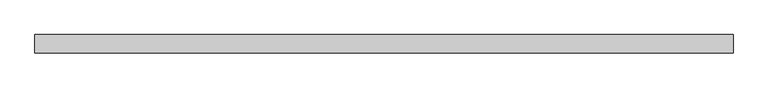
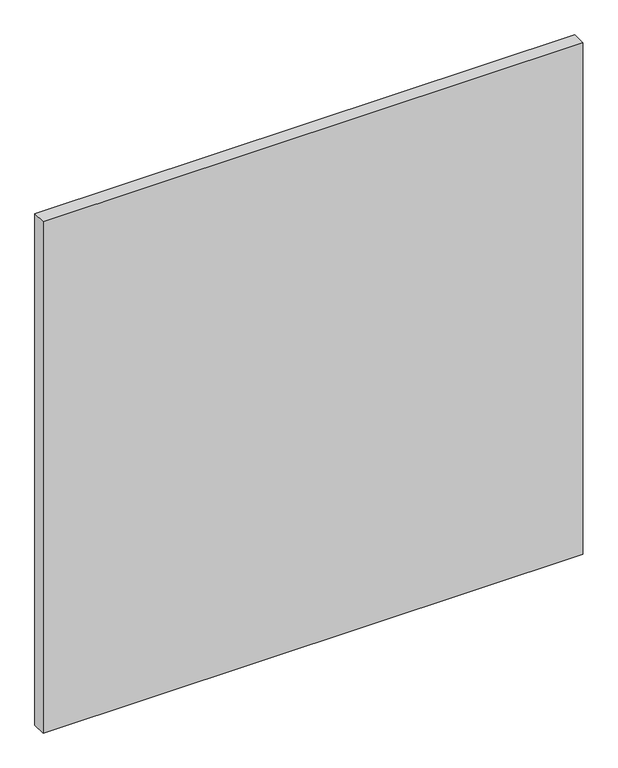
"""IFC4 building model written with IfcOpenShell, lengths in millimetres: plate geometry."""

from ifc_helpers import new_model, si_unit, origin, origin_with_axes, place, context, project, spatial, polyline, outline, extrude, source, transform, mapped, element, save


def plate_a3b7bea2(model_context):
    return source(origin(), model_context, "Body", "SweptSolid", [
        extrude(outline(polyline([(670.9320652, -17.5), (-670.9320652, -17.5), (-670.9320652, 17.5), (670.9320652, 17.5), (670.9320652, -17.5)])), origin_with_axes(), (0.0, 0.0, 1.0), 1343.8125),
    ])


if __name__ == "__main__":
    model = new_model("IFC4")
    model_context = context("Model", 3, world=origin())
    ifc_project = project(units=[si_unit("LENGTHUNIT", "METRE", prefix="MILLI")], contexts=[model_context])
    site = spatial("IfcSite", under=ifc_project)
    building = spatial("IfcBuilding", under=site)
    placement = place(None, origin())
    plate_shape = plate_a3b7bea2(model_context)
    element("IfcPlate", 1, at=placement, inside=building, context=model_context, shape_type="MappedRepresentation", body=[
        mapped(plate_shape, transform((0.0, 0.0, 0.0), x_axis=(1.0, 0.0, 0.0), y_axis=(0.0, 1.0, 0.0), z_axis=(0.0, 0.0, 1.0))),
    ])
    save(model, "model.ifc")
